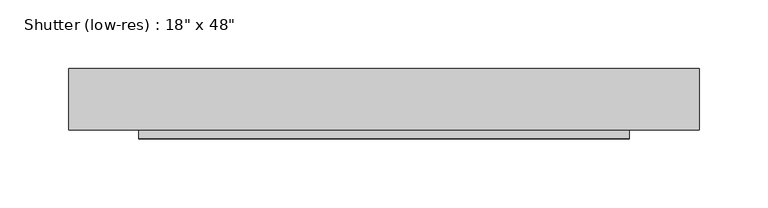
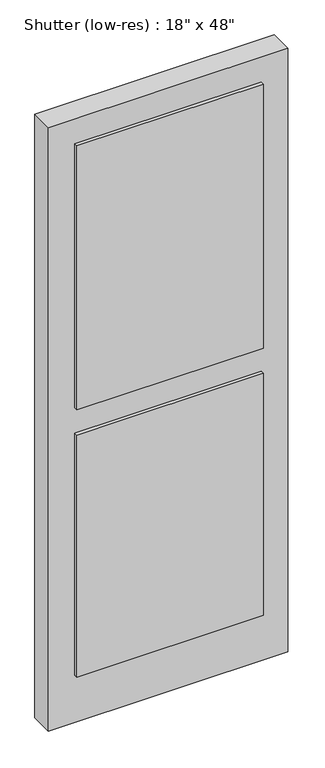
"""IFC4 building model written with IfcOpenShell, lengths in millimetres: proxy geometry."""

from ifc_helpers import new_model, si_unit, frame, origin, place, context, project, spatial, polyline, outline, extrude, source, transform, mapped, element, save


def proxy_06a131cb(model_context):
    return source(origin(), model_context, "Body", "SweptSolid", [
        extrude(outline(polyline([(-238.9374852, 149.225), (116.6625148, 149.225), (116.6625148, 98.425), (-238.9374852, 98.425), (-238.9374852, 149.225)])), frame((0.0, 0.0, 1549.4), z_axis=(0.0, 0.0, 1.0), x_axis=(1.0, 0.0, 0.0)), (0.0, 0.0, 1.0), 533.4),
        extrude(outline(polyline([(-238.9374852, 149.225), (116.6625148, 149.225), (116.6625148, 98.425), (-238.9374852, 98.425), (-238.9374852, 149.225)])), frame((0.0, 0.0, 1009.65), z_axis=(0.0, 0.0, 1.0), x_axis=(1.0, 0.0, 0.0)), (0.0, 0.0, 1.0), 488.95),
        extrude(outline(polyline([(2133.6, -289.7374852), (914.4, -289.7374852), (914.4, 167.4625148), (2133.6, 167.4625148), (2133.6, -289.7374852)]), holes=[polyline([(2082.8, -238.9374852), (2082.8, 116.6625148), (1549.4, 116.6625148), (1549.4, -238.9374852), (2082.8, -238.9374852)]), polyline([(1498.6, -238.9374852), (1498.6, 116.6625148), (1009.65, 116.6625148), (1009.65, -238.9374852), (1498.6, -238.9374852)])]), frame((0.0, 104.775, 0.0), z_axis=(0.0, 1.0, 0.0), x_axis=(0.0, 0.0, 1.0)), (0.0, 0.0, 1.0), 44.45),
    ])


if __name__ == "__main__":
    model = new_model("IFC4")
    model_context = context("Model", 3, world=origin())
    ifc_project = project(units=[si_unit("LENGTHUNIT", "METRE", prefix="MILLI")], contexts=[model_context])
    site = spatial("IfcSite", under=ifc_project)
    building = spatial("IfcBuilding", under=site)
    placement = place(None, origin())
    proxy_shape = proxy_06a131cb(model_context)
    element("IfcBuildingElementProxy", 1, Name="Shutter (low-res) : 18\" x 48\"", ObjectType="Shutter (low-res) : 18\" x 48\"", at=placement, inside=building, context=model_context, shape_type="MappedRepresentation", body=[
        mapped(proxy_shape, transform((0.0, 0.0, 0.0), x_axis=(1.0, 0.0, 0.0), y_axis=(0.0, 1.0, 0.0), z_axis=(0.0, 0.0, 1.0))),
    ])
    save(model, "model.ifc")
